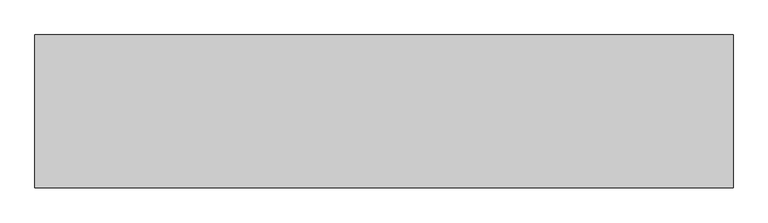
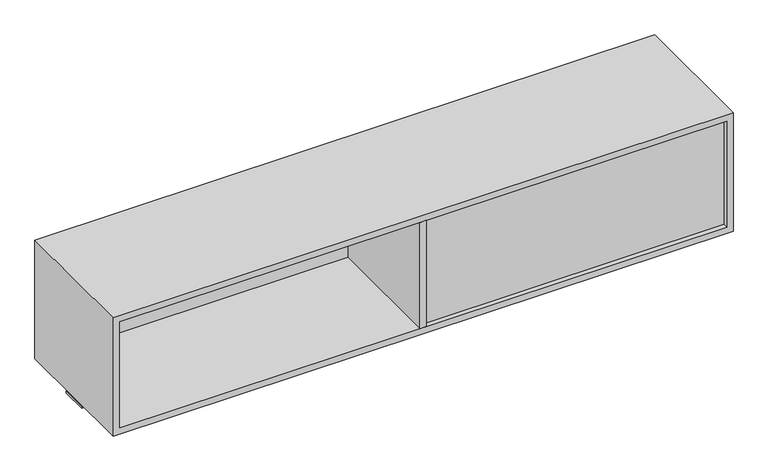
"""IFC4 building model written with IfcOpenShell, lengths in millimetres: furniture geometry."""

from ifc_helpers import new_model, si_unit, frame, origin, place, context, project, spatial, polyline, outline, extrude, source, transform, mapped, element, save


def furniture_2e279178(model_context):
    return source(origin(), model_context, "Body", "SweptSolid", [
        extrude(outline(polyline([(466.852, -241.2273724), (447.548, -241.2273724), (447.548, 158.8226276), (466.852, 158.8226276), (466.852, -241.2273724)])), frame((0.0, 0.0, 1205.357), z_axis=(0.0, 0.0, 1.0), x_axis=(1.0, 0.0, 0.0)), (0.0, 0.0, 1.0), 330.5048),
        extrude(outline(polyline([(1371.6, -2.0863724), (1371.6, -80.3183724), (-457.2, -80.3183724), (-457.2, -2.0863724), (1371.6, -2.0863724)])), frame((0.0, 0.0, 1175.766), z_axis=(0.0, 0.0, 1.0), x_axis=(1.0, 0.0, 0.0)), (0.0, 0.0, 1.0), 6.858),
        extrude(outline(polyline([(447.548, 145.5282676), (447.548, 126.2242676), (-437.896, 126.2242676), (-437.896, 145.5282676), (447.548, 145.5282676)])), frame((0.0, 0.0, 1205.357), z_axis=(0.0, 0.0, 1.0), x_axis=(1.0, 0.0, 0.0)), (0.0, 0.0, 1.0), 330.5048),
        extrude(outline(polyline([(1352.296, -208.5832924), (1352.296, -227.8872924), (466.852, -227.8872924), (466.852, -208.5832924), (1352.296, -208.5832924)])), frame((0.0, 0.0, 1205.357), z_axis=(0.0, 0.0, 1.0), x_axis=(1.0, 0.0, 0.0)), (0.0, 0.0, 1.0), 330.5048),
        extrude(outline(polyline([(1555.1658, -457.2), (1186.053, -457.2), (1186.053, 1371.6), (1555.1658, 1371.6), (1555.1658, -457.2)]), holes=[polyline([(1535.8618, -437.896), (1535.8618, 1352.296), (1205.357, 1352.296), (1205.357, -437.896), (1535.8618, -437.896)])]), frame((0.0, -241.2273724, 0.0), z_axis=(0.0, 1.0, 0.0), x_axis=(0.0, 0.0, 1.0)), (0.0, 0.0, 1.0), 400.05),
        extrude(outline(polyline([(466.852, -241.2273724), (447.548, -241.2273724), (447.548, 158.8226276), (466.852, 158.8226276), (466.852, -241.2273724)])), frame((0.0, 0.0, 1205.357), z_axis=(0.0, 0.0, 1.0), x_axis=(1.0, 0.0, 0.0)), (0.0, 0.0, 1.0), 330.5048),
    ])


if __name__ == "__main__":
    model = new_model("IFC4")
    model_context = context("Model", 3, world=origin())
    ifc_project = project(units=[si_unit("LENGTHUNIT", "METRE", prefix="MILLI")], contexts=[model_context])
    site = spatial("IfcSite", under=ifc_project)
    building = spatial("IfcBuilding", under=site)
    placement = place(None, origin())
    furniture_shape = furniture_2e279178(model_context)
    element("IfcFurniture", 1, at=placement, inside=building, context=model_context, shape_type="MappedRepresentation", body=[
        mapped(furniture_shape, transform((0.0, 0.0, 0.0), x_axis=(1.0, 0.0, 0.0), y_axis=(0.0, 1.0, 0.0), z_axis=(0.0, 0.0, 1.0))),
    ])
    save(model, "model.ifc")
